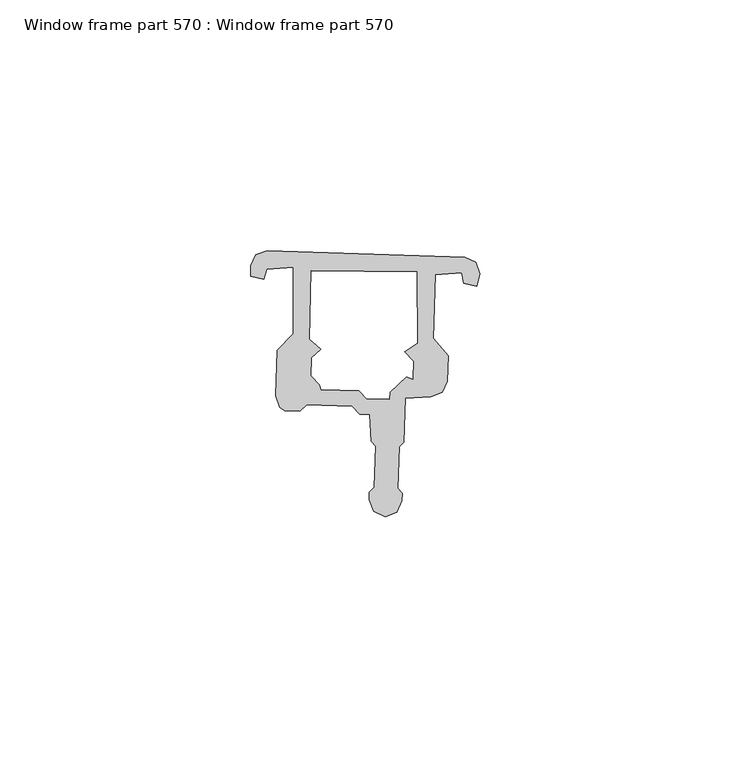
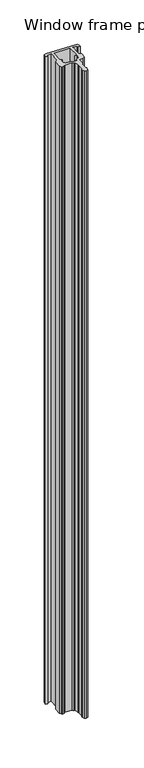
"""IFC4 building model written with IfcOpenShell, lengths in millimetres: proxy geometry, Window frame part 570 : Window frame part 570."""

from ifc_helpers import new_model, si_unit, frame, origin, place, context, project, spatial, polyline, outline, extrude, source, transform, mapped, element, save


def window_frame_part_570_window_frame_part_570_281f4e20(model_context):
    return source(origin(), model_context, "Body", "SweptSolid", [
        extrude(outline(polyline([(34539.8639568, -15464.5816187), (34537.9028938, -15464.5163161), (34536.3799577, -15462.9326073), (34527.2999374, -15462.6302464), (34525.9747258, -15463.8700441), (34522.9837172, -15463.7704187), (34521.994314, -15463.0561157), (34521.1396114, -15460.7813461), (34521.4431597, -15451.6656671), (34524.6742826, -15448.4345442), (34524.6098469, -15435.1778559), (34519.3634387, -15435.5114343), (34518.7880929, -15437.5254018), (34516.1394771, -15436.9289224), (34516.2071044, -15434.8980481), (34517.2112435, -15432.6851771), (34519.4860131, -15431.8304745), (34558.8342033, -15433.1407526), (34561.0470743, -15434.1448918), (34561.9017769, -15436.4196614), (34561.3095242, -15438.9413475), (34558.6609085, -15438.3448681), (34558.2208171, -15436.297087), (34552.9744089, -15436.6306654), (34552.5503591, -15449.3650547), (34555.5618485, -15452.801805), (34555.3927094, -15457.8811213), (34554.3885703, -15460.0939922), (34552.1138007, -15460.9486948), (34547.0260545, -15461.2875566), (34546.7338099, -15470.063781), (34545.7501373, -15470.9840531), (34545.4754016, -15479.2344801), (34546.3956736, -15480.2181527), (34546.3449532, -15481.7413084), (34545.31069, -15484.0205655), (34542.9676772, -15484.9009092), (34540.6884201, -15483.8666459), (34539.8080764, -15481.5236332), (34539.8587549, -15480.0017386), (34540.8424275, -15479.0814665), (34541.1172052, -15470.8297784), (34540.1969332, -15469.8461058), (34539.8639568, -15464.5816187)]), holes=[polyline([(34528.2297364, -15456.7902359), (34529.9661718, -15458.6439866), (34530.2645409, -15459.5522066), (34537.7745796, -15459.8022878), (34539.2975157, -15461.3859966), (34543.8409786, -15461.537292), (34543.8883177, -15460.11568), (34547.1672264, -15457.0481064), (34548.4493921, -15457.4635419), (34548.568867, -15453.8756638), (34546.8324316, -15452.0219131), (34549.340608, -15450.3557981), (34549.310356, -15436.0003724), (34528.2738998, -15435.8081489), (34527.9142234, -15449.5413291), (34530.2051214, -15451.4682307), (34528.3492113, -15453.2023578), (34528.2297364, -15456.7902359)])]), frame((0.0, 0.0, 1597.975708), z_axis=(0.0, 0.0, 1.0), x_axis=(1.0, 0.0, 0.0)), (0.0, 0.0, 1.0), 914.4),
    ])


if __name__ == "__main__":
    model = new_model("IFC4")
    model_context = context("Model", 3, world=origin())
    ifc_project = project(units=[si_unit("LENGTHUNIT", "METRE", prefix="MILLI")], contexts=[model_context])
    site = spatial("IfcSite", under=ifc_project)
    building = spatial("IfcBuilding", under=site)
    placement = place(None, origin())
    window_frame_part_570_window_frame_part_570_shape = window_frame_part_570_window_frame_part_570_281f4e20(model_context)
    element("IfcBuildingElementProxy", 1, Name="Window frame part 570 : Window frame part 570", ObjectType="Window frame part 570 : Window frame part 570", at=placement, inside=building, context=model_context, shape_type="MappedRepresentation", body=[
        mapped(window_frame_part_570_window_frame_part_570_shape, transform((0.0, 0.0, 0.0), x_axis=(1.0, 0.0, 0.0), y_axis=(0.0, 1.0, 0.0), z_axis=(0.0, 0.0, 1.0))),
    ])
    save(model, "model.ifc")
